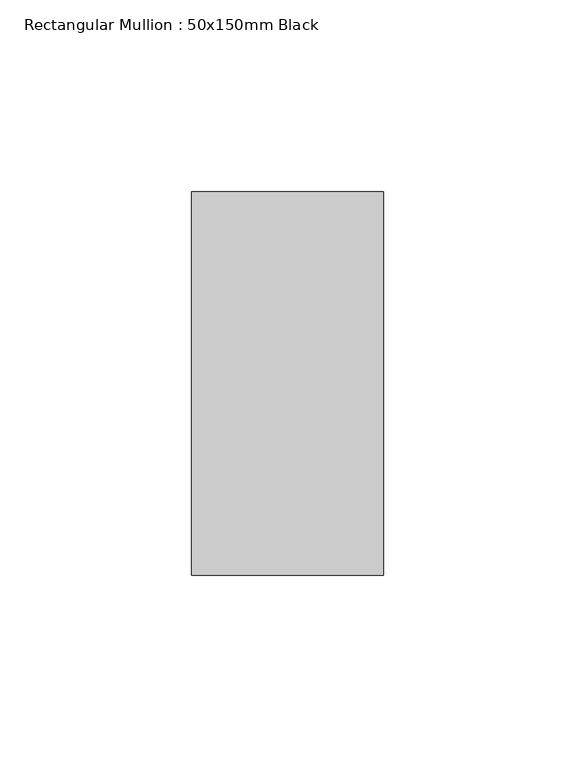
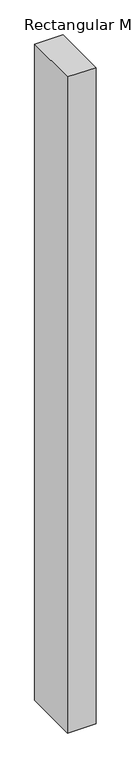
"""IFC4 building model written with IfcOpenShell, lengths in millimetres: member geometry, Rectangular Mullion : 50x150mm Black."""

from ifc_helpers import new_model, si_unit, frame, origin, place, context, project, spatial, polyline, outline, extrude, source, transform, mapped, element, save


def rectangular_mullion_50x150mm_black_fefc10a7(model_context):
    return source(origin(), model_context, "Body", "SweptSolid", [
        extrude(outline(polyline([(0.0, 50.0), (0.0, -50.0), (-50.0, -50.0), (-50.0, 50.0), (0.0, 50.0)])), frame((0.0, 0.0, -1220.0), z_axis=(0.0, 0.0, 1.0), x_axis=(1.0, 0.0, 0.0)), (0.0, 0.0, 1.0), 1220.0),
    ])


if __name__ == "__main__":
    model = new_model("IFC4")
    model_context = context("Model", 3, world=origin())
    ifc_project = project(units=[si_unit("LENGTHUNIT", "METRE", prefix="MILLI")], contexts=[model_context])
    site = spatial("IfcSite", under=ifc_project)
    building = spatial("IfcBuilding", under=site)
    placement = place(None, origin())
    rectangular_mullion_50x150mm_black_shape = rectangular_mullion_50x150mm_black_fefc10a7(model_context)
    element("IfcMember", 1, ObjectType="Rectangular Mullion : 50x150mm Black", at=placement, inside=building, context=model_context, shape_type="MappedRepresentation", body=[
        mapped(rectangular_mullion_50x150mm_black_shape, transform((0.0, 0.0, 0.0), x_axis=(1.0, 0.0, 0.0), y_axis=(0.0, 1.0, 0.0), z_axis=(0.0, 0.0, 1.0))),
    ])
    save(model, "model.ifc")
